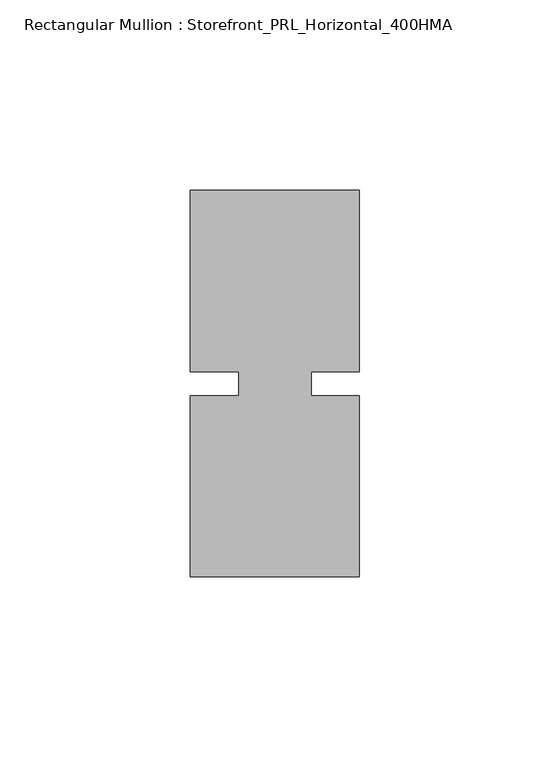
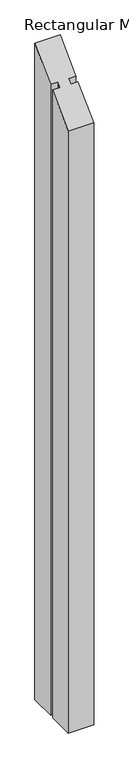
"""IFC4 building model written with IfcOpenShell, lengths in millimetres: member geometry, Rectangular Mullion : Storefront_PRL_Horizontal_400HMA."""

from ifc_helpers import new_model, si_unit, origin, place, context, project, spatial, faceted_brep, source, transform, mapped, element, save


def rectangular_mullion_storefront_prl_horizontal_400hma_cc26f6f1(model_context):
    return source(origin(), model_context, "Body", "Brep", [
        faceted_brep([(-9.525, -3.175, -1168.4), (-9.525, 3.175, -1168.4), (-22.225, 3.175, -1168.4), (-22.225, 50.8, -1168.4), (22.225, 50.8, -1168.4), (22.225, 3.175, -1168.4), (9.525, 3.175, -1168.4), (9.525, -3.175, -1168.4), (22.225, -3.175, -1168.4), (22.225, -50.8, -1168.4), (-22.225, -50.8, -1168.4), (-22.225, -3.175, -1168.4), (-22.225, -3.175, -3.175), (-9.525, -3.175, -3.175), (-22.225, -50.8, -50.8), (22.225, -50.8, -50.8), (22.225, -3.175, -3.175), (9.525, -3.175, -3.175), (9.525, 3.175, 3.175), (22.225, 3.175, 3.175), (22.225, 50.8, 50.8), (-22.225, 50.8, 50.8), (-22.225, 3.175, 3.175), (-9.525, 3.175, 3.175)], [[[0, 1, 2, 3, 4, 5, 6, 7, 8, 9, 10, 11]], [[12, 13, 0, 11]], [[14, 12, 11, 10]], [[15, 14, 10, 9]], [[16, 15, 9, 8]], [[17, 16, 8, 7]], [[18, 17, 7, 6]], [[19, 18, 6, 5]], [[20, 19, 5, 4]], [[21, 20, 4, 3]], [[22, 21, 3, 2]], [[23, 22, 2, 1]], [[13, 23, 1, 0]], [[13, 12, 14, 15, 16, 17, 18, 19, 20, 21, 22, 23]]]),
    ])


if __name__ == "__main__":
    model = new_model("IFC4")
    model_context = context("Model", 3, world=origin())
    ifc_project = project(units=[si_unit("LENGTHUNIT", "METRE", prefix="MILLI")], contexts=[model_context])
    site = spatial("IfcSite", under=ifc_project)
    building = spatial("IfcBuilding", under=site)
    placement = place(None, origin())
    rectangular_mullion_storefront_prl_horizontal_400hma_shape = rectangular_mullion_storefront_prl_horizontal_400hma_cc26f6f1(model_context)
    element("IfcMember", 1, ObjectType="Rectangular Mullion : Storefront_PRL_Horizontal_400HMA", at=placement, inside=building, context=model_context, shape_type="MappedRepresentation", body=[
        mapped(rectangular_mullion_storefront_prl_horizontal_400hma_shape, transform((0.0, 0.0, 0.0), x_axis=(1.0, 0.0, 0.0), y_axis=(0.0, 1.0, 0.0), z_axis=(0.0, 0.0, 1.0))),
    ])
    save(model, "model.ifc")
